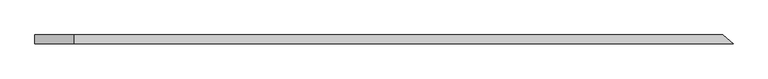
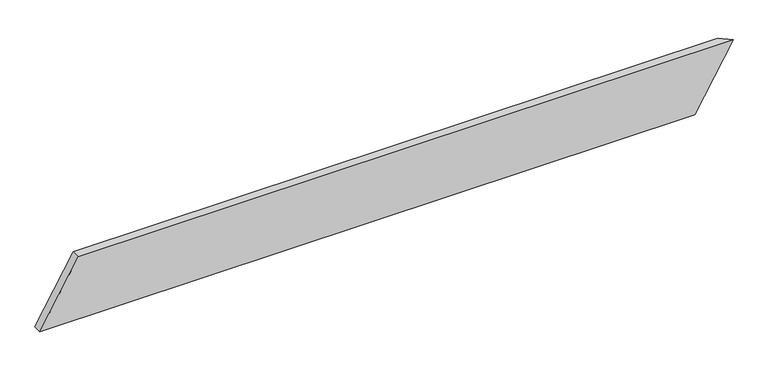
"""IFC4 building model written with IfcOpenShell, lengths in millimetres: beam geometry."""

from ifc_helpers import new_model, si_unit, origin, place, context, project, spatial, faceted_brep, source, transform, mapped, element, save


def beam_aa54b6bb(model_context):
    return source(origin(), model_context, "Body", "Brep", [
        faceted_brep([(1516.8703142, -19.05, 142.875), (-1328.1285593, -19.05, 142.875), (-1494.8160593, -19.05, -142.875), (1350.1828142, -19.05, -142.875), (1472.7618045, 19.05, 142.875), (1306.0743045, 19.05, -142.875), (-1494.8160593, 19.05, -142.875), (-1328.1285593, 19.05, 142.875)], [[[0, 1, 2, 3]], [[4, 5, 6, 7]], [[5, 4, 0, 3]], [[6, 5, 3, 2]], [[7, 6, 2, 1]], [[4, 7, 1, 0]]]),
    ])


if __name__ == "__main__":
    model = new_model("IFC4")
    model_context = context("Model", 3, world=origin())
    ifc_project = project(units=[si_unit("LENGTHUNIT", "METRE", prefix="MILLI")], contexts=[model_context])
    site = spatial("IfcSite", under=ifc_project)
    building = spatial("IfcBuilding", under=site)
    placement = place(None, origin())
    beam_shape = beam_aa54b6bb(model_context)
    element("IfcBeam", 1, at=placement, inside=building, context=model_context, shape_type="MappedRepresentation", body=[
        mapped(beam_shape, transform((0.0, 0.0, 0.0), x_axis=(1.0, 0.0, 0.0), y_axis=(0.0, 1.0, 0.0), z_axis=(0.0, 0.0, 1.0))),
    ])
    save(model, "model.ifc")
